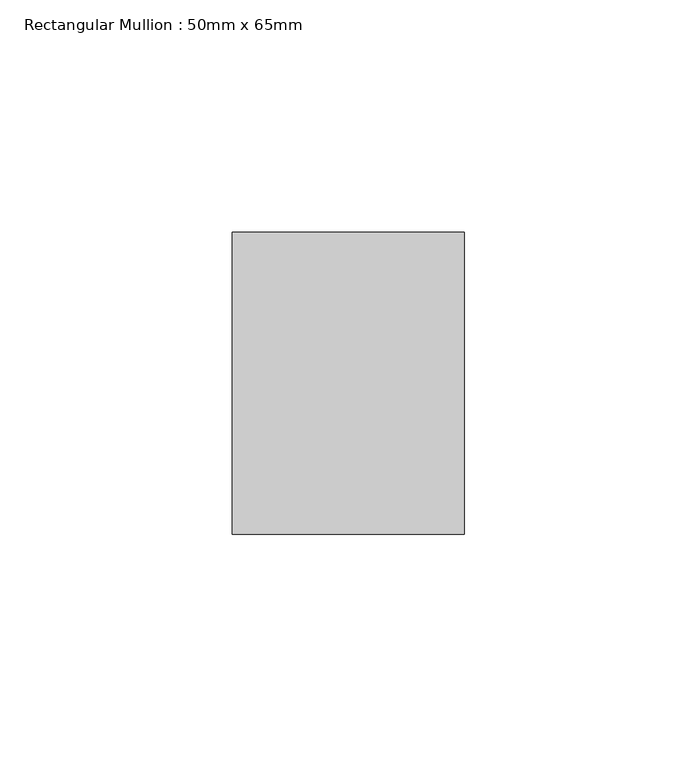
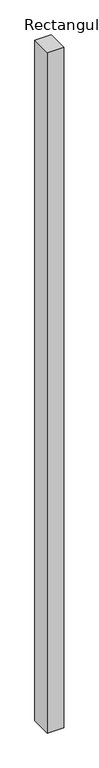
"""IFC4 building model written with IfcOpenShell, lengths in millimetres: member geometry, Rectangular Mullion : 50mm x 65mm."""

from ifc_helpers import new_model, si_unit, frame, origin, place, context, project, spatial, polyline, outline, extrude, source, transform, mapped, element, save


def rectangular_mullion_50mm_x_65mm_faddb386(model_context):
    return source(origin(), model_context, "Body", "SweptSolid", [
        extrude(outline(polyline([(25.0, 32.5), (25.0, -32.5), (-25.0, -32.5), (-25.0, 32.5), (25.0, 32.5)])), frame((0.0, 0.0, -2186.9741909), z_axis=(0.0, 0.0, 1.0), x_axis=(1.0, 0.0, 0.0)), (0.0, 0.0, 1.0), 2186.9741909),
    ])


if __name__ == "__main__":
    model = new_model("IFC4")
    model_context = context("Model", 3, world=origin())
    ifc_project = project(units=[si_unit("LENGTHUNIT", "METRE", prefix="MILLI")], contexts=[model_context])
    site = spatial("IfcSite", under=ifc_project)
    building = spatial("IfcBuilding", under=site)
    placement = place(None, origin())
    rectangular_mullion_50mm_x_65mm_shape = rectangular_mullion_50mm_x_65mm_faddb386(model_context)
    element("IfcMember", 1, ObjectType="Rectangular Mullion : 50mm x 65mm", at=placement, inside=building, context=model_context, shape_type="MappedRepresentation", body=[
        mapped(rectangular_mullion_50mm_x_65mm_shape, transform((0.0, 0.0, 0.0), x_axis=(1.0, 0.0, 0.0), y_axis=(0.0, 1.0, 0.0), z_axis=(0.0, 0.0, 1.0))),
    ])
    save(model, "model.ifc")
